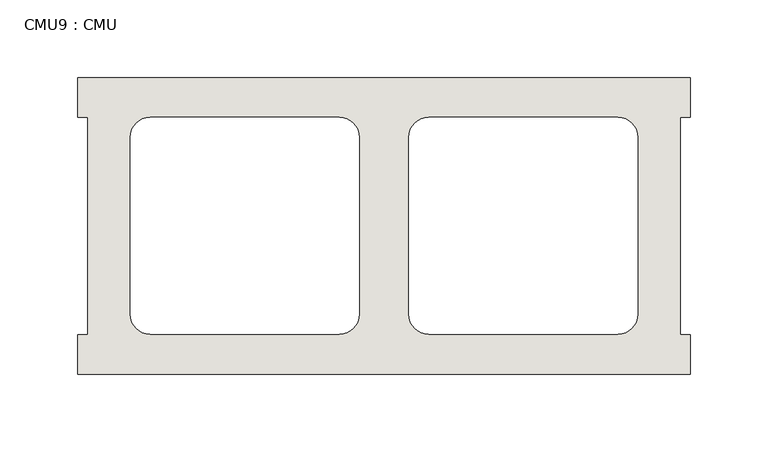
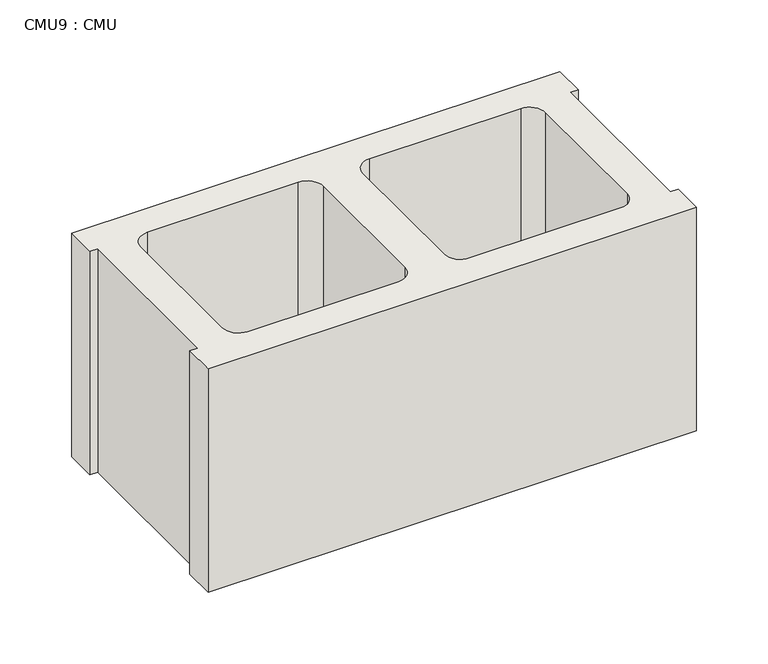
"""IFC4 building model written with IfcOpenShell, lengths in millimetres: wall geometry, CMU9 : CMU."""

from ifc_helpers import new_model, si_unit, point, frame, frame_2d, origin, place, context, project, spatial, polyline, circle_curve, trimmed, segment, composite_curve, outline, extrude, source, transform, mapped, element, save


def cmu9_cmu_5a7e1a9d(model_context):
    return source(origin(), model_context, "Body", "SweptSolid", [
        extrude(outline(polyline([(-1019.6785982, 3347.4652891), (-625.9785982, 3347.4652891), (-625.9785982, 3322.0652891), (-632.3285982, 3322.0652891), (-632.3285982, 3182.3652891), (-625.9785982, 3182.3652891), (-625.9785982, 3156.9652891), (-1019.6785982, 3156.9652891), (-1019.6785982, 3182.3652891), (-1013.3285982, 3182.3652891), (-1013.3285982, 3322.0652891), (-1019.6785982, 3322.0652891), (-1019.6785982, 3347.4652891)]), holes=[composite_curve([segment(polyline([(-851.5105995, 3322.0652891), (-973.2272496, 3322.0652891)]), True, "CONTINUOUS"), segment(trimmed(circle_curve(frame_2d((-973.2272496, 3309.3652891)), 12.7), [point((-973.2272496, 3322.0652891))], [point((-985.9272496, 3309.3652891))], True, "CARTESIAN"), True, "CONTINUOUS"), segment(polyline([(-985.9272496, 3309.3652891), (-985.9272496, 3195.2994494)]), True, "CONTINUOUS"), segment(trimmed(circle_curve(frame_2d((-973.2272496, 3195.2994494)), 12.7), [point((-985.9272496, 3195.2994494))], [point((-973.2272496, 3182.5994494))], True, "CARTESIAN"), True, "CONTINUOUS"), segment(polyline([(-973.2272496, 3182.5994494), (-851.5105995, 3182.5994494)]), True, "CONTINUOUS"), segment(trimmed(circle_curve(frame_2d((-851.5105995, 3195.2994494)), 12.7), [point((-851.5105995, 3182.5994494))], [point((-838.8105995, 3195.2994494))], True, "CARTESIAN"), True, "CONTINUOUS"), segment(polyline([(-838.8105995, 3195.2994494), (-838.8105995, 3309.3652891)]), True, "CONTINUOUS"), segment(trimmed(circle_curve(frame_2d((-851.5105995, 3309.3652891)), 12.7), [point((-838.8105995, 3309.3652891))], [point((-851.5105995, 3322.0652891))], True, "CARTESIAN"), True, "CONTINUOUS")], self_intersect=False), composite_curve([segment(trimmed(circle_curve(frame_2d((-794.1465969, 3309.3652891)), 12.7), [point((-794.1465969, 3322.0652891))], [point((-806.8465969, 3309.3652891))], True, "CARTESIAN"), True, "CONTINUOUS"), segment(polyline([(-806.8465969, 3309.3652891), (-806.8465969, 3195.2994494)]), True, "CONTINUOUS"), segment(trimmed(circle_curve(frame_2d((-794.1465969, 3195.2994494)), 12.7), [point((-806.8465969, 3195.2994494))], [point((-794.1465969, 3182.5994494))], True, "CARTESIAN"), True, "CONTINUOUS"), segment(polyline([(-794.1465969, 3182.5994494), (-672.4299468, 3182.5994494)]), True, "CONTINUOUS"), segment(trimmed(circle_curve(frame_2d((-672.4299468, 3195.2994494)), 12.7), [point((-672.4299468, 3182.5994494))], [point((-659.7299468, 3195.2994494))], True, "CARTESIAN"), True, "CONTINUOUS"), segment(polyline([(-659.7299468, 3195.2994494), (-659.7299468, 3309.3652891)]), True, "CONTINUOUS"), segment(trimmed(circle_curve(frame_2d((-672.4299468, 3309.3652891)), 12.7), [point((-659.7299468, 3309.3652891))], [point((-672.4299468, 3322.0652891))], True, "CARTESIAN"), True, "CONTINUOUS"), segment(polyline([(-672.4299468, 3322.0652891), (-794.1465969, 3322.0652891)]), True, "CONTINUOUS")], self_intersect=False)]), frame((0.0, 0.0, 203.2), z_axis=(0.0, 0.0, 1.0), x_axis=(1.0, 0.0, 0.0)), (0.0, 0.0, 1.0), 190.5),
    ])


if __name__ == "__main__":
    model = new_model("IFC4")
    model_context = context("Model", 3, world=origin())
    ifc_project = project(units=[si_unit("LENGTHUNIT", "METRE", prefix="MILLI")], contexts=[model_context])
    site = spatial("IfcSite", under=ifc_project)
    building = spatial("IfcBuilding", under=site)
    placement = place(None, origin())
    cmu9_cmu_shape = cmu9_cmu_5a7e1a9d(model_context)
    element("IfcWall", 1, ObjectType="CMU9 : CMU", at=placement, inside=building, context=model_context, shape_type="MappedRepresentation", body=[
        mapped(cmu9_cmu_shape, transform((0.0, 0.0, 0.0), x_axis=(1.0, 0.0, 0.0), y_axis=(0.0, 1.0, 0.0), z_axis=(0.0, 0.0, 1.0))),
    ])
    save(model, "model.ifc")
